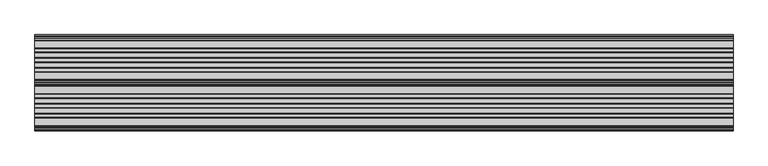
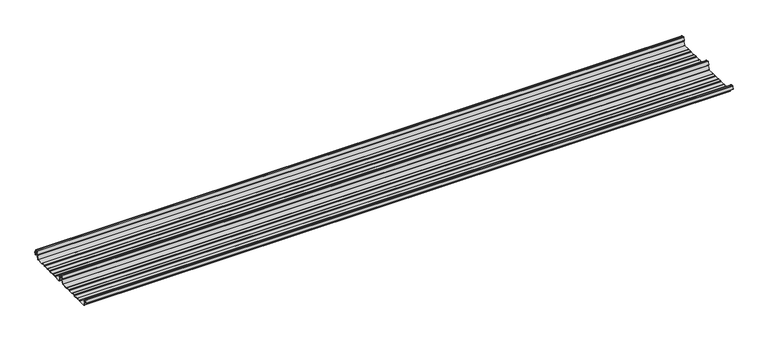
"""IFC4 building model written with IfcOpenShell, lengths in millimetres: beam geometry."""

from ifc_helpers import new_model, si_unit, point, frame, frame_2d, origin, place, context, project, spatial, polyline, circle_curve, trimmed, segment, composite_curve, outline, extrude, source, transform, mapped, element, save


def beam_e25d407e(model_context):
    return source(origin(), model_context, "Body", "SweptSolid", [
        extrude(outline(composite_curve([segment(trimmed(circle_curve(frame_2d((-231.1362436, -24.0396475)), 1.75), [point((-231.1362436, -25.7896475))], [point((-232.7807057, -24.6381827))], False, "CARTESIAN"), True, "CONTINUOUS"), segment(polyline([(-232.7807057, -24.6381827), (-241.6888002, -2.1633943)]), True, "CONTINUOUS"), segment(trimmed(circle_curve(frame_2d((-240.0443381, -1.5648591)), 1.75), [point((-241.6888002, -2.1633943))], [point((-240.4972714, 0.1255111))], False, "CARTESIAN"), True, "CONTINUOUS"), segment(polyline([(-240.4972714, 0.1255111), (-237.8419476, 0.837003)]), True, "CONTINUOUS"), segment(trimmed(circle_curve(frame_2d((-238.1654714, 2.0444103)), 1.25), [point((-237.8419476, 0.837003))], [point((-236.9908556, 2.4719355))], True, "CARTESIAN"), True, "CONTINUOUS"), segment(polyline([(-236.9908556, 2.4719355), (-243.8110817, 21.2103525), (-250.0, 21.2103525), (-256.1889183, 21.2103525), (-263.0091444, 2.4719355)]), True, "CONTINUOUS"), segment(trimmed(circle_curve(frame_2d((-261.8345286, 2.0444103)), 1.25), [point((-263.0091444, 2.4719355))], [point((-262.1580524, 0.837003))], True, "CARTESIAN"), True, "CONTINUOUS"), segment(polyline([(-262.1580524, 0.837003), (-259.5027286, 0.1255111)]), True, "CONTINUOUS"), segment(trimmed(circle_curve(frame_2d((-259.9556619, -1.5648591)), 1.75), [point((-259.5027286, 0.1255111))], [point((-258.3111998, -2.1633943))], False, "CARTESIAN"), True, "CONTINUOUS"), segment(polyline([(-258.3111998, -2.1633943), (-267.2192943, -24.6381827)]), True, "CONTINUOUS"), segment(trimmed(circle_curve(frame_2d((-268.8637564, -24.0396475)), 1.75), [point((-267.2192943, -24.6381827))], [point((-268.8637564, -25.7896475))], False, "CARTESIAN"), True, "CONTINUOUS"), segment(polyline([(-268.8637564, -25.7896475), (-307.3786797, -25.7896475)]), True, "CONTINUOUS"), segment(trimmed(circle_curve(frame_2d((-307.3786797, -24.0396475)), 1.75), [point((-307.3786797, -25.7896475))], [point((-308.6161165, -25.2770843))], False, "CARTESIAN"), True, "CONTINUOUS"), segment(polyline([(-308.6161165, -25.2770843), (-310.7788845, -23.1143163)]), True, "CONTINUOUS"), segment(trimmed(circle_curve(frame_2d((-311.5627045, -23.8981363)), 1.1084889), [point((-310.7788845, -23.1143163))], [point((-311.5627045, -22.7896475))], True, "CARTESIAN"), True, "CONTINUOUS"), segment(polyline([(-311.5627045, -22.7896475), (-330.4372955, -22.7896475)]), True, "CONTINUOUS"), segment(trimmed(circle_curve(frame_2d((-330.4372955, -23.8981363)), 1.1084889), [point((-330.4372955, -22.7896475))], [point((-331.2211155, -23.1143163))], True, "CARTESIAN"), True, "CONTINUOUS"), segment(polyline([(-331.2211155, -23.1143163), (-333.3838835, -25.2770843)]), True, "CONTINUOUS"), segment(trimmed(circle_curve(frame_2d((-334.6213203, -24.0396475)), 1.75), [point((-333.3838835, -25.2770843))], [point((-334.6213203, -25.7896475))], False, "CARTESIAN"), True, "CONTINUOUS"), segment(polyline([(-334.6213203, -25.7896475), (-361.3786797, -25.7896475)]), True, "CONTINUOUS"), segment(trimmed(circle_curve(frame_2d((-361.3786797, -24.0396475)), 1.75), [point((-361.3786797, -25.7896475))], [point((-362.6161165, -25.2770843))], False, "CARTESIAN"), True, "CONTINUOUS"), segment(polyline([(-362.6161165, -25.2770843), (-364.7788845, -23.1143163)]), True, "CONTINUOUS"), segment(trimmed(circle_curve(frame_2d((-365.5627045, -23.8981363)), 1.1084889), [point((-364.7788845, -23.1143163))], [point((-365.5627045, -22.7896475))], True, "CARTESIAN"), True, "CONTINUOUS"), segment(polyline([(-365.5627045, -22.7896475), (-384.4372955, -22.7896475)]), True, "CONTINUOUS"), segment(trimmed(circle_curve(frame_2d((-384.4372955, -23.8981363)), 1.1084889), [point((-384.4372955, -22.7896475))], [point((-385.2211155, -23.1143163))], True, "CARTESIAN"), True, "CONTINUOUS"), segment(polyline([(-385.2211155, -23.1143163), (-387.3838835, -25.2770843)]), True, "CONTINUOUS"), segment(trimmed(circle_curve(frame_2d((-388.6213203, -24.0396475)), 1.75), [point((-387.3838835, -25.2770843))], [point((-388.6213203, -25.7896475))], False, "CARTESIAN"), True, "CONTINUOUS"), segment(polyline([(-388.6213203, -25.7896475), (-415.3786797, -25.7896475)]), True, "CONTINUOUS"), segment(trimmed(circle_curve(frame_2d((-415.3786797, -24.0396475)), 1.75), [point((-415.3786797, -25.7896475))], [point((-416.6161165, -25.2770843))], False, "CARTESIAN"), True, "CONTINUOUS"), segment(polyline([(-416.6161165, -25.2770843), (-418.7788845, -23.1143163)]), True, "CONTINUOUS"), segment(trimmed(circle_curve(frame_2d((-419.5627045, -23.8981363)), 1.1084889), [point((-418.7788845, -23.1143163))], [point((-419.5627045, -22.7896475))], True, "CARTESIAN"), True, "CONTINUOUS"), segment(polyline([(-419.5627045, -22.7896475), (-438.4372955, -22.7896475)]), True, "CONTINUOUS"), segment(trimmed(circle_curve(frame_2d((-438.4372955, -23.8981363)), 1.1084889), [point((-438.4372955, -22.7896475))], [point((-439.2211155, -23.1143163))], True, "CARTESIAN"), True, "CONTINUOUS"), segment(polyline([(-439.2211155, -23.1143163), (-441.3838835, -25.2770843)]), True, "CONTINUOUS"), segment(trimmed(circle_curve(frame_2d((-442.6213203, -24.0396475)), 1.75), [point((-441.3838835, -25.2770843))], [point((-442.6213203, -25.7896475))], False, "CARTESIAN"), True, "CONTINUOUS"), segment(polyline([(-442.6213203, -25.7896475), (-483.287616, -25.7896475)]), True, "CONTINUOUS"), segment(trimmed(circle_curve(frame_2d((-483.287616, -24.0396475)), 1.75), [point((-483.287616, -25.7896475))], [point((-484.8955882, -24.7302452))], False, "CARTESIAN"), True, "CONTINUOUS"), segment(polyline([(-484.8955882, -24.7302452), (-493.5565428, -2.8789816)]), True, "CONTINUOUS"), segment(trimmed(circle_curve(frame_2d((-490.0443381, -1.5648591)), 3.75), [point((-493.5565428, -2.8789816))], [point((-490.3464639, 2.1729504))], False, "CARTESIAN"), True, "CONTINUOUS"), segment(trimmed(circle_curve(frame_2d((-490.426413, 3.162057)), 0.9923325), [point((-490.3464639, 2.1729504))], [point((-489.4939255, 3.5014547))], True, "CARTESIAN"), True, "CONTINUOUS"), segment(polyline([(-489.4939255, 3.5014547), (-494.9720116, 18.5523727)]), True, "CONTINUOUS"), segment(trimmed(circle_curve(frame_2d((-495.9117043, 18.2103525)), 1.0), [point((-494.9720116, 18.5523727))], [point((-495.9117043, 19.2103525))], True, "CARTESIAN"), True, "CONTINUOUS"), segment(polyline([(-495.9117043, 19.2103525), (-504.0882957, 19.2103525)]), True, "CONTINUOUS"), segment(trimmed(circle_curve(frame_2d((-504.0882957, 18.2103525)), 1.0), [point((-504.0882957, 19.2103525))], [point((-505.0279884, 18.5523727))], True, "CARTESIAN"), True, "CONTINUOUS"), segment(polyline([(-505.0279884, 18.5523727), (-510.4799156, 3.5733257)]), True, "CONTINUOUS"), segment(trimmed(circle_curve(frame_2d((-510.9497619, 3.7443357)), 0.5), [point((-510.4799156, 3.5733257))], [point((-511.4196082, 3.9153458))], False, "CARTESIAN"), True, "CONTINUOUS"), segment(polyline([(-511.4196082, 3.9153458), (-505.967681, 18.8943928)]), True, "CONTINUOUS"), segment(trimmed(circle_curve(frame_2d((-504.0882957, 18.2103525)), 2.0), [point((-505.967681, 18.8943928))], [point((-504.0882957, 20.2103525))], False, "CARTESIAN"), True, "CONTINUOUS"), segment(polyline([(-504.0882957, 20.2103525), (-495.9117043, 20.2103525)]), True, "CONTINUOUS"), segment(trimmed(circle_curve(frame_2d((-495.9117043, 18.2103525)), 2.0), [point((-495.9117043, 20.2103525))], [point((-494.032319, 18.8943928))], False, "CARTESIAN"), True, "CONTINUOUS"), segment(polyline([(-494.032319, 18.8943928), (-488.5542329, 3.8434749)]), True, "CONTINUOUS"), segment(trimmed(circle_curve(frame_2d((-490.426413, 3.162057)), 1.9923325), [point((-488.5542329, 3.8434749))], [point((-490.265897, 1.1762012))], False, "CARTESIAN"), True, "CONTINUOUS"), segment(trimmed(circle_curve(frame_2d((-490.0443381, -1.5648591)), 2.75), [point((-490.265897, 1.1762012))], [point((-492.6230664, -2.5201915))], True, "CARTESIAN"), True, "CONTINUOUS"), segment(polyline([(-492.6230664, -2.5201915), (-483.9722515, -24.3458733)]), True, "CONTINUOUS"), segment(trimmed(circle_curve(frame_2d((-483.287616, -24.0396475)), 0.75), [point((-483.9722515, -24.3458733))], [point((-483.287616, -24.7896475))], True, "CARTESIAN"), True, "CONTINUOUS"), segment(polyline([(-483.287616, -24.7896475), (-442.7420401, -24.7896475)]), True, "CONTINUOUS"), segment(trimmed(circle_curve(frame_2d((-442.7420401, -23.7482041)), 1.0414433), [point((-442.7420401, -24.7896475))], [point((-442.0056285, -24.4846158))], True, "CARTESIAN"), True, "CONTINUOUS"), segment(polyline([(-442.0056285, -24.4846158), (-439.9696699, -22.4486572)]), True, "CONTINUOUS"), segment(trimmed(circle_curve(frame_2d((-438.3786797, -24.0396475)), 2.25), [point((-439.9696699, -22.4486572))], [point((-438.3786797, -21.7896475))], False, "CARTESIAN"), True, "CONTINUOUS"), segment(polyline([(-438.3786797, -21.7896475), (-419.6213203, -21.7896475)]), True, "CONTINUOUS"), segment(trimmed(circle_curve(frame_2d((-419.6213203, -24.0396475)), 2.25), [point((-419.6213203, -21.7896475))], [point((-418.0303301, -22.4486572))], False, "CARTESIAN"), True, "CONTINUOUS"), segment(polyline([(-418.0303301, -22.4486572), (-415.9943715, -24.4846158)]), True, "CONTINUOUS"), segment(trimmed(circle_curve(frame_2d((-415.2579599, -23.7482041)), 1.0414433), [point((-415.9943715, -24.4846158))], [point((-415.2579599, -24.7896475))], True, "CARTESIAN"), True, "CONTINUOUS"), segment(polyline([(-415.2579599, -24.7896475), (-388.7420401, -24.7896475)]), True, "CONTINUOUS"), segment(trimmed(circle_curve(frame_2d((-388.7420401, -23.7482041)), 1.0414433), [point((-388.7420401, -24.7896475))], [point((-388.0056285, -24.4846158))], True, "CARTESIAN"), True, "CONTINUOUS"), segment(polyline([(-388.0056285, -24.4846158), (-385.9696699, -22.4486572)]), True, "CONTINUOUS"), segment(trimmed(circle_curve(frame_2d((-384.3786797, -24.0396475)), 2.25), [point((-385.9696699, -22.4486572))], [point((-384.3786797, -21.7896475))], False, "CARTESIAN"), True, "CONTINUOUS"), segment(polyline([(-384.3786797, -21.7896475), (-365.6213203, -21.7896475)]), True, "CONTINUOUS"), segment(trimmed(circle_curve(frame_2d((-365.6213203, -24.0396475)), 2.25), [point((-365.6213203, -21.7896475))], [point((-364.0303301, -22.4486572))], False, "CARTESIAN"), True, "CONTINUOUS"), segment(polyline([(-364.0303301, -22.4486572), (-361.9943715, -24.4846158)]), True, "CONTINUOUS"), segment(trimmed(circle_curve(frame_2d((-361.2579599, -23.7482041)), 1.0414433), [point((-361.9943715, -24.4846158))], [point((-361.2579599, -24.7896475))], True, "CARTESIAN"), True, "CONTINUOUS"), segment(polyline([(-361.2579599, -24.7896475), (-334.7420401, -24.7896475)]), True, "CONTINUOUS"), segment(trimmed(circle_curve(frame_2d((-334.7420401, -23.7482041)), 1.0414433), [point((-334.7420401, -24.7896475))], [point((-334.0056285, -24.4846158))], True, "CARTESIAN"), True, "CONTINUOUS"), segment(polyline([(-334.0056285, -24.4846158), (-331.9696699, -22.4486572)]), True, "CONTINUOUS"), segment(trimmed(circle_curve(frame_2d((-330.3786797, -24.0396475)), 2.25), [point((-331.9696699, -22.4486572))], [point((-330.3786797, -21.7896475))], False, "CARTESIAN"), True, "CONTINUOUS"), segment(polyline([(-330.3786797, -21.7896475), (-311.6213203, -21.7896475)]), True, "CONTINUOUS"), segment(trimmed(circle_curve(frame_2d((-311.6213203, -24.0396475)), 2.25), [point((-311.6213203, -21.7896475))], [point((-310.0303301, -22.4486572))], False, "CARTESIAN"), True, "CONTINUOUS"), segment(polyline([(-310.0303301, -22.4486572), (-307.9943715, -24.4846158)]), True, "CONTINUOUS"), segment(trimmed(circle_curve(frame_2d((-307.2579599, -23.7482041)), 1.0414433), [point((-307.9943715, -24.4846158))], [point((-307.2579599, -24.7896475))], True, "CARTESIAN"), True, "CONTINUOUS"), segment(polyline([(-307.2579599, -24.7896475), (-268.8637564, -24.7896475)]), True, "CONTINUOUS"), segment(trimmed(circle_curve(frame_2d((-268.8637564, -24.0396475)), 0.75), [point((-268.8637564, -24.7896475))], [point((-268.1552359, -24.2856122))], True, "CARTESIAN"), True, "CONTINUOUS"), segment(polyline([(-268.1552359, -24.2856122), (-259.2471414, -1.8108238)]), True, "CONTINUOUS"), segment(trimmed(circle_curve(frame_2d((-259.9556619, -1.5648591)), 0.75), [point((-259.2471414, -1.8108238))], [point((-259.7615476, -0.8404147))], True, "CARTESIAN"), True, "CONTINUOUS"), segment(polyline([(-259.7615476, -0.8404147), (-262.4168715, -0.1289228)]), True, "CONTINUOUS"), segment(trimmed(circle_curve(frame_2d((-261.8345286, 2.0444103)), 2.25), [point((-262.4168715, -0.1289228))], [point((-263.948837, 2.8139556))], False, "CARTESIAN"), True, "CONTINUOUS"), segment(polyline([(-263.948837, 2.8139556), (-257.1273286, 21.5558959)]), True, "CONTINUOUS"), segment(trimmed(circle_curve(frame_2d((-256.1926676, 21.2157071)), 0.9946455), [point((-257.1273286, 21.5558959))], [point((-256.1926676, 22.2103525))], False, "CARTESIAN"), True, "CONTINUOUS"), segment(polyline([(-256.1926676, 22.2103525), (-250.0, 22.2103525), (-243.8073324, 22.2103525)]), True, "CONTINUOUS"), segment(trimmed(circle_curve(frame_2d((-243.8073324, 21.2157071)), 0.9946455), [point((-243.8073324, 22.2103525))], [point((-242.8726714, 21.5558959))], False, "CARTESIAN"), True, "CONTINUOUS"), segment(polyline([(-242.8726714, 21.5558959), (-236.051163, 2.8139556)]), True, "CONTINUOUS"), segment(trimmed(circle_curve(frame_2d((-238.1654714, 2.0444103)), 2.25), [point((-236.051163, 2.8139556))], [point((-237.5831285, -0.1289228))], False, "CARTESIAN"), True, "CONTINUOUS"), segment(polyline([(-237.5831285, -0.1289228), (-240.2384524, -0.8404147)]), True, "CONTINUOUS"), segment(trimmed(circle_curve(frame_2d((-240.0443381, -1.5648591)), 0.75), [point((-240.2384524, -0.8404147))], [point((-240.7528586, -1.8108238))], True, "CARTESIAN"), True, "CONTINUOUS"), segment(polyline([(-240.7528586, -1.8108238), (-231.8447641, -24.2856122)]), True, "CONTINUOUS"), segment(trimmed(circle_curve(frame_2d((-231.1362436, -24.0396475)), 0.75), [point((-231.8447641, -24.2856122))], [point((-231.1362436, -24.7896475))], True, "CARTESIAN"), True, "CONTINUOUS"), segment(polyline([(-231.1362436, -24.7896475), (-192.7420401, -24.7896475)]), True, "CONTINUOUS"), segment(trimmed(circle_curve(frame_2d((-192.7420401, -23.7482041)), 1.0414433), [point((-192.7420401, -24.7896475))], [point((-192.0056285, -24.4846158))], True, "CARTESIAN"), True, "CONTINUOUS"), segment(polyline([(-192.0056285, -24.4846158), (-189.9696699, -22.4486572)]), True, "CONTINUOUS"), segment(trimmed(circle_curve(frame_2d((-188.3786797, -24.0396475)), 2.25), [point((-189.9696699, -22.4486572))], [point((-188.3786797, -21.7896475))], False, "CARTESIAN"), True, "CONTINUOUS"), segment(polyline([(-188.3786797, -21.7896475), (-169.6213203, -21.7896475)]), True, "CONTINUOUS"), segment(trimmed(circle_curve(frame_2d((-169.6213203, -24.0396475)), 2.25), [point((-169.6213203, -21.7896475))], [point((-168.0303301, -22.4486572))], False, "CARTESIAN"), True, "CONTINUOUS"), segment(polyline([(-168.0303301, -22.4486572), (-165.9943715, -24.4846158)]), True, "CONTINUOUS"), segment(trimmed(circle_curve(frame_2d((-165.2579599, -23.7482041)), 1.0414433), [point((-165.9943715, -24.4846158))], [point((-165.2579599, -24.7896475))], True, "CARTESIAN"), True, "CONTINUOUS"), segment(polyline([(-165.2579599, -24.7896475), (-138.7420401, -24.7896475)]), True, "CONTINUOUS"), segment(trimmed(circle_curve(frame_2d((-138.7420401, -23.7482041)), 1.0414433), [point((-138.7420401, -24.7896475))], [point((-138.0056285, -24.4846158))], True, "CARTESIAN"), True, "CONTINUOUS"), segment(polyline([(-138.0056285, -24.4846158), (-135.9696699, -22.4486572)]), True, "CONTINUOUS"), segment(trimmed(circle_curve(frame_2d((-134.3786797, -24.0396475)), 2.25), [point((-135.9696699, -22.4486572))], [point((-134.3786797, -21.7896475))], False, "CARTESIAN"), True, "CONTINUOUS"), segment(polyline([(-134.3786797, -21.7896475), (-115.6213203, -21.7896475)]), True, "CONTINUOUS"), segment(trimmed(circle_curve(frame_2d((-115.6213203, -24.0396475)), 2.25), [point((-115.6213203, -21.7896475))], [point((-114.0303301, -22.4486572))], False, "CARTESIAN"), True, "CONTINUOUS"), segment(polyline([(-114.0303301, -22.4486572), (-111.9943715, -24.4846158)]), True, "CONTINUOUS"), segment(trimmed(circle_curve(frame_2d((-111.2579599, -23.7482041)), 1.0414433), [point((-111.9943715, -24.4846158))], [point((-111.2579599, -24.7896475))], True, "CARTESIAN"), True, "CONTINUOUS"), segment(polyline([(-111.2579599, -24.7896475), (-84.7420401, -24.7896475)]), True, "CONTINUOUS"), segment(trimmed(circle_curve(frame_2d((-84.7420401, -23.7482041)), 1.0414433), [point((-84.7420401, -24.7896475))], [point((-84.0056285, -24.4846158))], True, "CARTESIAN"), True, "CONTINUOUS"), segment(polyline([(-84.0056285, -24.4846158), (-81.9696699, -22.4486572)]), True, "CONTINUOUS"), segment(trimmed(circle_curve(frame_2d((-80.3786797, -24.0396475)), 2.25), [point((-81.9696699, -22.4486572))], [point((-80.3786797, -21.7896475))], False, "CARTESIAN"), True, "CONTINUOUS"), segment(polyline([(-80.3786797, -21.7896475), (-61.6213203, -21.7896475)]), True, "CONTINUOUS"), segment(trimmed(circle_curve(frame_2d((-61.6213203, -24.0396475)), 2.25), [point((-61.6213203, -21.7896475))], [point((-60.0303301, -22.4486572))], False, "CARTESIAN"), True, "CONTINUOUS"), segment(polyline([(-60.0303301, -22.4486572), (-57.9943715, -24.4846158)]), True, "CONTINUOUS"), segment(trimmed(circle_curve(frame_2d((-57.2579599, -23.7482041)), 1.0414433), [point((-57.9943715, -24.4846158))], [point((-57.2579599, -24.7896475))], True, "CARTESIAN"), True, "CONTINUOUS"), segment(polyline([(-57.2579599, -24.7896475), (-18.8637564, -24.7896475)]), True, "CONTINUOUS"), segment(trimmed(circle_curve(frame_2d((-18.8637564, -24.0396475)), 0.75), [point((-18.8637564, -24.7896475))], [point((-18.1552359, -24.2856122))], True, "CARTESIAN"), True, "CONTINUOUS"), segment(polyline([(-18.1552359, -24.2856122), (-9.2471414, -1.8108238)]), True, "CONTINUOUS"), segment(trimmed(circle_curve(frame_2d((-9.9556619, -1.5648591)), 0.75), [point((-9.2471414, -1.8108238))], [point((-9.7615476, -0.8404147))], True, "CARTESIAN"), True, "CONTINUOUS"), segment(polyline([(-9.7615476, -0.8404147), (-12.4168715, -0.1289228)]), True, "CONTINUOUS"), segment(trimmed(circle_curve(frame_2d((-11.8345286, 2.0444103)), 2.25), [point((-12.4168715, -0.1289228))], [point((-13.948837, 2.8139556))], False, "CARTESIAN"), True, "CONTINUOUS"), segment(polyline([(-13.948837, 2.8139556), (-7.1273286, 21.5558959)]), True, "CONTINUOUS"), segment(trimmed(circle_curve(frame_2d((-6.1926676, 21.2157071)), 0.9946455), [point((-7.1273286, 21.5558959))], [point((-6.1926676, 22.2103525))], False, "CARTESIAN"), True, "CONTINUOUS"), segment(polyline([(-6.1926676, 22.2103525), (0.0, 22.2103525), (6.1926676, 22.2103525)]), True, "CONTINUOUS"), segment(trimmed(circle_curve(frame_2d((6.1926676, 21.2157071)), 0.9946455), [point((6.1926676, 22.2103525))], [point((7.1273286, 21.5558959))], False, "CARTESIAN"), True, "CONTINUOUS"), segment(polyline([(7.1273286, 21.5558959), (13.948837, 2.8139556)]), True, "CONTINUOUS"), segment(trimmed(circle_curve(frame_2d((11.8345286, 2.0444103)), 2.25), [point((13.948837, 2.8139556))], [point((12.4168715, -0.1289228))], False, "CARTESIAN"), True, "CONTINUOUS"), segment(polyline([(12.4168715, -0.1289228), (9.7615476, -0.8404147)]), True, "CONTINUOUS"), segment(trimmed(circle_curve(frame_2d((9.9556619, -1.5648591)), 0.75), [point((9.7615476, -0.8404147))], [point((9.2471414, -1.8108238))], True, "CARTESIAN"), True, "CONTINUOUS"), segment(polyline([(9.2471414, -1.8108238), (12.5127954, -10.0499465)]), True, "CONTINUOUS"), segment(trimmed(circle_curve(frame_2d((12.0479758, -10.2341821)), 0.5), [point((12.5127954, -10.0499465))], [point((11.5831563, -10.4184177))], False, "CARTESIAN"), True, "CONTINUOUS"), segment(polyline([(11.5831563, -10.4184177), (8.3111998, -2.1633943)]), True, "CONTINUOUS"), segment(trimmed(circle_curve(frame_2d((9.9556619, -1.5648591)), 1.75), [point((8.3111998, -2.1633943))], [point((9.5027286, 0.1255111))], False, "CARTESIAN"), True, "CONTINUOUS"), segment(polyline([(9.5027286, 0.1255111), (12.1580524, 0.837003)]), True, "CONTINUOUS"), segment(trimmed(circle_curve(frame_2d((11.8345286, 2.0444103)), 1.25), [point((12.1580524, 0.837003))], [point((13.0091444, 2.4719355))], True, "CARTESIAN"), True, "CONTINUOUS"), segment(polyline([(13.0091444, 2.4719355), (6.1889183, 21.2103525), (0.0, 21.2103525), (-6.1889183, 21.2103525), (-13.0091444, 2.4719355)]), True, "CONTINUOUS"), segment(trimmed(circle_curve(frame_2d((-11.8345286, 2.0444103)), 1.25), [point((-13.0091444, 2.4719355))], [point((-12.1580524, 0.837003))], True, "CARTESIAN"), True, "CONTINUOUS"), segment(polyline([(-12.1580524, 0.837003), (-9.5027286, 0.1255111)]), True, "CONTINUOUS"), segment(trimmed(circle_curve(frame_2d((-9.9556619, -1.5648591)), 1.75), [point((-9.5027286, 0.1255111))], [point((-8.3111998, -2.1633943))], False, "CARTESIAN"), True, "CONTINUOUS"), segment(polyline([(-8.3111998, -2.1633943), (-17.2192943, -24.6381827)]), True, "CONTINUOUS"), segment(trimmed(circle_curve(frame_2d((-18.8637564, -24.0396475)), 1.75), [point((-17.2192943, -24.6381827))], [point((-18.8637564, -25.7896475))], False, "CARTESIAN"), True, "CONTINUOUS"), segment(polyline([(-18.8637564, -25.7896475), (-57.3786797, -25.7896475)]), True, "CONTINUOUS"), segment(trimmed(circle_curve(frame_2d((-57.3786797, -24.0396475)), 1.75), [point((-57.3786797, -25.7896475))], [point((-58.6161165, -25.2770843))], False, "CARTESIAN"), True, "CONTINUOUS"), segment(polyline([(-58.6161165, -25.2770843), (-60.7788845, -23.1143163)]), True, "CONTINUOUS"), segment(trimmed(circle_curve(frame_2d((-61.5627045, -23.8981363)), 1.1084889), [point((-60.7788845, -23.1143163))], [point((-61.5627045, -22.7896475))], True, "CARTESIAN"), True, "CONTINUOUS"), segment(polyline([(-61.5627045, -22.7896475), (-80.4372955, -22.7896475)]), True, "CONTINUOUS"), segment(trimmed(circle_curve(frame_2d((-80.4372955, -23.8981363)), 1.1084889), [point((-80.4372955, -22.7896475))], [point((-81.2211155, -23.1143163))], True, "CARTESIAN"), True, "CONTINUOUS"), segment(polyline([(-81.2211155, -23.1143163), (-83.3838835, -25.2770843)]), True, "CONTINUOUS"), segment(trimmed(circle_curve(frame_2d((-84.6213203, -24.0396475)), 1.75), [point((-83.3838835, -25.2770843))], [point((-84.6213203, -25.7896475))], False, "CARTESIAN"), True, "CONTINUOUS"), segment(polyline([(-84.6213203, -25.7896475), (-111.3786797, -25.7896475)]), True, "CONTINUOUS"), segment(trimmed(circle_curve(frame_2d((-111.3786797, -24.0396475)), 1.75), [point((-111.3786797, -25.7896475))], [point((-112.6161165, -25.2770843))], False, "CARTESIAN"), True, "CONTINUOUS"), segment(polyline([(-112.6161165, -25.2770843), (-114.7788845, -23.1143163)]), True, "CONTINUOUS"), segment(trimmed(circle_curve(frame_2d((-115.5627045, -23.8981363)), 1.1084889), [point((-114.7788845, -23.1143163))], [point((-115.5627045, -22.7896475))], True, "CARTESIAN"), True, "CONTINUOUS"), segment(polyline([(-115.5627045, -22.7896475), (-134.4372955, -22.7896475)]), True, "CONTINUOUS"), segment(trimmed(circle_curve(frame_2d((-134.4372955, -23.8981363)), 1.1084889), [point((-134.4372955, -22.7896475))], [point((-135.2211155, -23.1143163))], True, "CARTESIAN"), True, "CONTINUOUS"), segment(polyline([(-135.2211155, -23.1143163), (-137.3838835, -25.2770843)]), True, "CONTINUOUS"), segment(trimmed(circle_curve(frame_2d((-138.6213203, -24.0396475)), 1.75), [point((-137.3838835, -25.2770843))], [point((-138.6213203, -25.7896475))], False, "CARTESIAN"), True, "CONTINUOUS"), segment(polyline([(-138.6213203, -25.7896475), (-165.3786797, -25.7896475)]), True, "CONTINUOUS"), segment(trimmed(circle_curve(frame_2d((-165.3786797, -24.0396475)), 1.75), [point((-165.3786797, -25.7896475))], [point((-166.6161165, -25.2770843))], False, "CARTESIAN"), True, "CONTINUOUS"), segment(polyline([(-166.6161165, -25.2770843), (-168.7788845, -23.1143163)]), True, "CONTINUOUS"), segment(trimmed(circle_curve(frame_2d((-169.5627045, -23.8981363)), 1.1084889), [point((-168.7788845, -23.1143163))], [point((-169.5627045, -22.7896475))], True, "CARTESIAN"), True, "CONTINUOUS"), segment(polyline([(-169.5627045, -22.7896475), (-188.4372955, -22.7896475)]), True, "CONTINUOUS"), segment(trimmed(circle_curve(frame_2d((-188.4372955, -23.8981363)), 1.1084889), [point((-188.4372955, -22.7896475))], [point((-189.2211155, -23.1143163))], True, "CARTESIAN"), True, "CONTINUOUS"), segment(polyline([(-189.2211155, -23.1143163), (-191.3838835, -25.2770843)]), True, "CONTINUOUS"), segment(trimmed(circle_curve(frame_2d((-192.6213203, -24.0396475)), 1.75), [point((-191.3838835, -25.2770843))], [point((-192.6213203, -25.7896475))], False, "CARTESIAN"), True, "CONTINUOUS"), segment(polyline([(-192.6213203, -25.7896475), (-231.1362436, -25.7896475)]), True, "CONTINUOUS")], self_intersect=False)), frame((-1901.8103074, 0.0, 0.0), z_axis=(1.0, 0.0, 0.0), x_axis=(0.0, 1.0, 0.0)), (0.0, 0.0, 1.0), 3803.6206147),
    ])


if __name__ == "__main__":
    model = new_model("IFC4")
    model_context = context("Model", 3, world=origin())
    ifc_project = project(units=[si_unit("LENGTHUNIT", "METRE", prefix="MILLI")], contexts=[model_context])
    site = spatial("IfcSite", under=ifc_project)
    building = spatial("IfcBuilding", under=site)
    placement = place(None, origin())
    beam_shape = beam_e25d407e(model_context)
    element("IfcBeam", 1, at=placement, inside=building, context=model_context, shape_type="MappedRepresentation", body=[
        mapped(beam_shape, transform((0.0, 0.0, 0.0), x_axis=(1.0, 0.0, 0.0), y_axis=(0.0, 1.0, 0.0), z_axis=(0.0, 0.0, 1.0))),
    ])
    save(model, "model.ifc")
